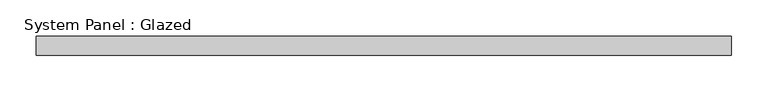
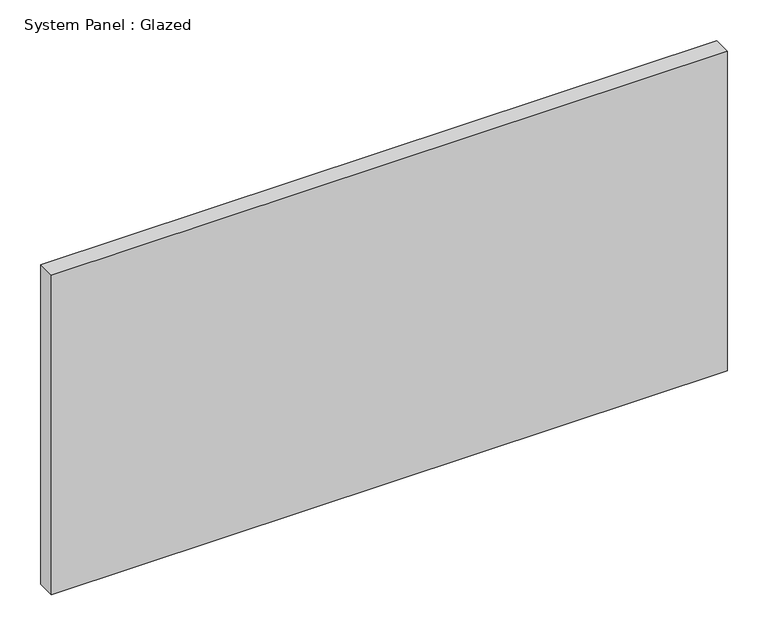
"""IFC4 building model written with IfcOpenShell, lengths in millimetres: plate geometry, System Panel : Glazed."""

from ifc_helpers import new_model, si_unit, origin, origin_with_axes, place, context, project, spatial, polyline, outline, extrude, source, transform, mapped, element, save


def system_panel_glazed_915b9aaf(model_context):
    return source(origin(), model_context, "Body", "SweptSolid", [
        extrude(outline(polyline([(476.25, -12.7), (-476.25, -12.7), (-476.25, 12.7), (476.25, 12.7), (476.25, -12.7)])), origin_with_axes(), (0.0, 0.0, 1.0), 476.25),
    ])


if __name__ == "__main__":
    model = new_model("IFC4")
    model_context = context("Model", 3, world=origin())
    ifc_project = project(units=[si_unit("LENGTHUNIT", "METRE", prefix="MILLI")], contexts=[model_context])
    site = spatial("IfcSite", under=ifc_project)
    building = spatial("IfcBuilding", under=site)
    placement = place(None, origin())
    system_panel_glazed_shape = system_panel_glazed_915b9aaf(model_context)
    element("IfcPlate", 1, ObjectType="System Panel : Glazed", at=placement, inside=building, context=model_context, shape_type="MappedRepresentation", body=[
        mapped(system_panel_glazed_shape, transform((0.0, 0.0, 0.0), x_axis=(1.0, 0.0, 0.0), y_axis=(0.0, 1.0, 0.0), z_axis=(0.0, 0.0, 1.0))),
    ])
    save(model, "model.ifc")
